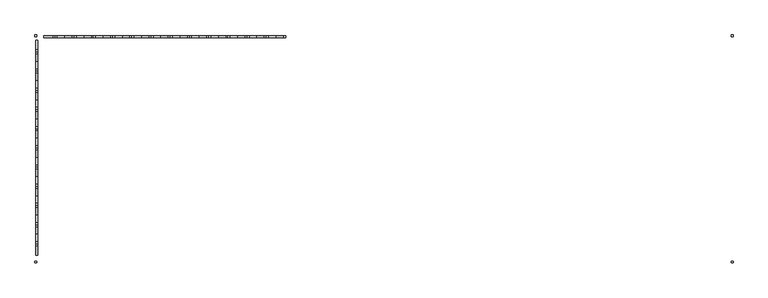
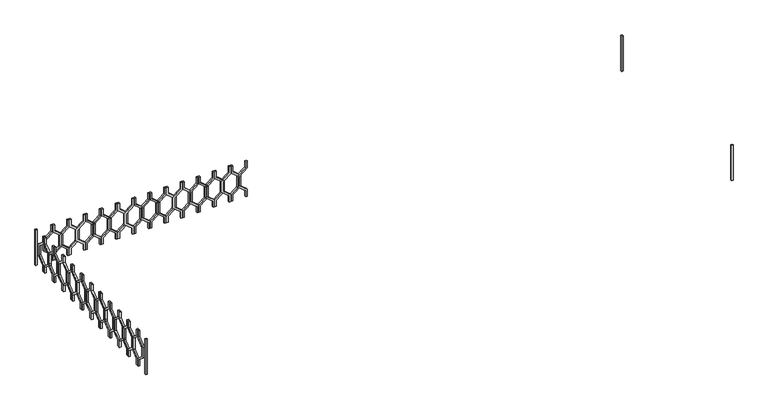
"""IFC4 building model written with IfcOpenShell, lengths in millimetres: railing geometry."""

from ifc_helpers import new_model, si_unit, frame, origin, place, context, project, spatial, polyline, outline, extrude, source, transform, mapped, element, save


def railing_aa4c74ac(model_context):
    return source(origin(), model_context, "Body", "SweptSolid", [
        extrude(outline(polyline([(4960.0, 44935.0112841), (4960.0, 44915.0112841), (4880.0, 44915.0112841), (4800.0, 44816.0163347), (4660.0, 44816.0163347), (4580.0, 44915.0112841), (4500.0, 44915.0112841), (4500.0, 44935.0112841), (4589.551845, 44935.0112841), (4669.551845, 44836.0163347), (4790.448155, 44836.0163347), (4870.448155, 44935.0112841), (4960.0, 44935.0112841)])), frame((0.0, 3248.1079487, 0.0), z_axis=(0.0, 1.0, 0.0), x_axis=(0.0, 0.0, 1.0)), (0.0, 0.0, 1.0), 20.0),
        extrude(outline(polyline([(4960.0, 44735.0112841), (4870.448155, 44735.0112841), (4790.448155, 44834.0062335), (4669.551845, 44834.0062335), (4589.551845, 44735.0112841), (4500.0, 44735.0112841), (4500.0, 44755.0112841), (4580.0, 44755.0112841), (4660.0, 44854.0062335), (4800.0, 44854.0062335), (4880.0, 44755.0112841), (4960.0, 44755.0112841), (4960.0, 44735.0112841)])), frame((0.0, 3248.1079487, 0.0), z_axis=(0.0, 1.0, 0.0), x_axis=(0.0, 0.0, 1.0)), (0.0, 0.0, 1.0), 20.0),
        extrude(outline(polyline([(4960.0, 44735.0112841), (4960.0, 44715.0112841), (4880.0, 44715.0112841), (4800.0, 44616.0163347), (4660.0, 44616.0163347), (4580.0, 44715.0112841), (4500.0, 44715.0112841), (4500.0, 44735.0112841), (4589.551845, 44735.0112841), (4669.551845, 44636.0163347), (4790.448155, 44636.0163347), (4870.448155, 44735.0112841), (4960.0, 44735.0112841)])), frame((0.0, 3248.1079487, 0.0), z_axis=(0.0, 1.0, 0.0), x_axis=(0.0, 0.0, 1.0)), (0.0, 0.0, 1.0), 20.0),
        extrude(outline(polyline([(4960.0, 44535.0112841), (4870.448155, 44535.0112841), (4790.448155, 44634.0062335), (4669.551845, 44634.0062335), (4589.551845, 44535.0112841), (4500.0, 44535.0112841), (4500.0, 44555.0112841), (4580.0, 44555.0112841), (4660.0, 44654.0062335), (4800.0, 44654.0062335), (4880.0, 44555.0112841), (4960.0, 44555.0112841), (4960.0, 44535.0112841)])), frame((0.0, 3248.1079487, 0.0), z_axis=(0.0, 1.0, 0.0), x_axis=(0.0, 0.0, 1.0)), (0.0, 0.0, 1.0), 20.0),
        extrude(outline(polyline([(4960.0, 44535.0112841), (4960.0, 44515.0112841), (4880.0, 44515.0112841), (4800.0, 44416.0163347), (4660.0, 44416.0163347), (4580.0, 44515.0112841), (4500.0, 44515.0112841), (4500.0, 44535.0112841), (4589.551845, 44535.0112841), (4669.551845, 44436.0163347), (4790.448155, 44436.0163347), (4870.448155, 44535.0112841), (4960.0, 44535.0112841)])), frame((0.0, 3248.1079487, 0.0), z_axis=(0.0, 1.0, 0.0), x_axis=(0.0, 0.0, 1.0)), (0.0, 0.0, 1.0), 20.0),
        extrude(outline(polyline([(4960.0, 44335.0112841), (4870.448155, 44335.0112841), (4790.448155, 44434.0062335), (4669.551845, 44434.0062335), (4589.551845, 44335.0112841), (4500.0, 44335.0112841), (4500.0, 44355.0112841), (4580.0, 44355.0112841), (4660.0, 44454.0062335), (4800.0, 44454.0062335), (4880.0, 44355.0112841), (4960.0, 44355.0112841), (4960.0, 44335.0112841)])), frame((0.0, 3248.1079487, 0.0), z_axis=(0.0, 1.0, 0.0), x_axis=(0.0, 0.0, 1.0)), (0.0, 0.0, 1.0), 20.0),
        extrude(outline(polyline([(4960.0, 44335.0112841), (4960.0, 44315.0112841), (4880.0, 44315.0112841), (4800.0, 44216.0163347), (4660.0, 44216.0163347), (4580.0, 44315.0112841), (4500.0, 44315.0112841), (4500.0, 44335.0112841), (4589.551845, 44335.0112841), (4669.551845, 44236.0163347), (4790.448155, 44236.0163347), (4870.448155, 44335.0112841), (4960.0, 44335.0112841)])), frame((0.0, 3248.1079487, 0.0), z_axis=(0.0, 1.0, 0.0), x_axis=(0.0, 0.0, 1.0)), (0.0, 0.0, 1.0), 20.0),
        extrude(outline(polyline([(4960.0, 44135.0112841), (4870.448155, 44135.0112841), (4790.448155, 44234.0062335), (4669.551845, 44234.0062335), (4589.551845, 44135.0112841), (4500.0, 44135.0112841), (4500.0, 44155.0112841), (4580.0, 44155.0112841), (4660.0, 44254.0062335), (4800.0, 44254.0062335), (4880.0, 44155.0112841), (4960.0, 44155.0112841), (4960.0, 44135.0112841)])), frame((0.0, 3248.1079487, 0.0), z_axis=(0.0, 1.0, 0.0), x_axis=(0.0, 0.0, 1.0)), (0.0, 0.0, 1.0), 20.0),
        extrude(outline(polyline([(4960.0, 44135.0112841), (4960.0, 44115.0112841), (4880.0, 44115.0112841), (4800.0, 44016.0163347), (4660.0, 44016.0163347), (4580.0, 44115.0112841), (4500.0, 44115.0112841), (4500.0, 44135.0112841), (4589.551845, 44135.0112841), (4669.551845, 44036.0163347), (4790.448155, 44036.0163347), (4870.448155, 44135.0112841), (4960.0, 44135.0112841)])), frame((0.0, 3248.1079487, 0.0), z_axis=(0.0, 1.0, 0.0), x_axis=(0.0, 0.0, 1.0)), (0.0, 0.0, 1.0), 20.0),
        extrude(outline(polyline([(4960.0, 43935.0112841), (4870.448155, 43935.0112841), (4790.448155, 44034.0062335), (4669.551845, 44034.0062335), (4589.551845, 43935.0112841), (4500.0, 43935.0112841), (4500.0, 43955.0112841), (4580.0, 43955.0112841), (4660.0, 44054.0062335), (4800.0, 44054.0062335), (4880.0, 43955.0112841), (4960.0, 43955.0112841), (4960.0, 43935.0112841)])), frame((0.0, 3248.1079487, 0.0), z_axis=(0.0, 1.0, 0.0), x_axis=(0.0, 0.0, 1.0)), (0.0, 0.0, 1.0), 20.0),
        extrude(outline(polyline([(4960.0, 43935.0112841), (4960.0, 43915.0112841), (4880.0, 43915.0112841), (4800.0, 43816.0163347), (4660.0, 43816.0163347), (4580.0, 43915.0112841), (4500.0, 43915.0112841), (4500.0, 43935.0112841), (4589.551845, 43935.0112841), (4669.551845, 43836.0163347), (4790.448155, 43836.0163347), (4870.448155, 43935.0112841), (4960.0, 43935.0112841)])), frame((0.0, 3248.1079487, 0.0), z_axis=(0.0, 1.0, 0.0), x_axis=(0.0, 0.0, 1.0)), (0.0, 0.0, 1.0), 20.0),
        extrude(outline(polyline([(4960.0, 43735.0112841), (4870.448155, 43735.0112841), (4790.448155, 43834.0062335), (4669.551845, 43834.0062335), (4589.551845, 43735.0112841), (4500.0, 43735.0112841), (4500.0, 43755.0112841), (4580.0, 43755.0112841), (4660.0, 43854.0062335), (4800.0, 43854.0062335), (4880.0, 43755.0112841), (4960.0, 43755.0112841), (4960.0, 43735.0112841)])), frame((0.0, 3248.1079487, 0.0), z_axis=(0.0, 1.0, 0.0), x_axis=(0.0, 0.0, 1.0)), (0.0, 0.0, 1.0), 20.0),
        extrude(outline(polyline([(4960.0, 43735.0112841), (4960.0, 43715.0112841), (4880.0, 43715.0112841), (4800.0, 43616.0163347), (4660.0, 43616.0163347), (4580.0, 43715.0112841), (4500.0, 43715.0112841), (4500.0, 43735.0112841), (4589.551845, 43735.0112841), (4669.551845, 43636.0163347), (4790.448155, 43636.0163347), (4870.448155, 43735.0112841), (4960.0, 43735.0112841)])), frame((0.0, 3248.1079487, 0.0), z_axis=(0.0, 1.0, 0.0), x_axis=(0.0, 0.0, 1.0)), (0.0, 0.0, 1.0), 20.0),
        extrude(outline(polyline([(4960.0, 43535.0112841), (4870.448155, 43535.0112841), (4790.448155, 43634.0062335), (4669.551845, 43634.0062335), (4589.551845, 43535.0112841), (4500.0, 43535.0112841), (4500.0, 43555.0112841), (4580.0, 43555.0112841), (4660.0, 43654.0062335), (4800.0, 43654.0062335), (4880.0, 43555.0112841), (4960.0, 43555.0112841), (4960.0, 43535.0112841)])), frame((0.0, 3248.1079487, 0.0), z_axis=(0.0, 1.0, 0.0), x_axis=(0.0, 0.0, 1.0)), (0.0, 0.0, 1.0), 20.0),
        extrude(outline(polyline([(4960.0, 43535.0112841), (4960.0, 43515.0112841), (4880.0, 43515.0112841), (4800.0, 43416.0163347), (4660.0, 43416.0163347), (4580.0, 43515.0112841), (4500.0, 43515.0112841), (4500.0, 43535.0112841), (4589.551845, 43535.0112841), (4669.551845, 43436.0163347), (4790.448155, 43436.0163347), (4870.448155, 43535.0112841), (4960.0, 43535.0112841)])), frame((0.0, 3248.1079487, 0.0), z_axis=(0.0, 1.0, 0.0), x_axis=(0.0, 0.0, 1.0)), (0.0, 0.0, 1.0), 20.0),
        extrude(outline(polyline([(4960.0, 43335.0112841), (4870.448155, 43335.0112841), (4790.448155, 43434.0062335), (4669.551845, 43434.0062335), (4589.551845, 43335.0112841), (4500.0, 43335.0112841), (4500.0, 43355.0112841), (4580.0, 43355.0112841), (4660.0, 43454.0062335), (4800.0, 43454.0062335), (4880.0, 43355.0112841), (4960.0, 43355.0112841), (4960.0, 43335.0112841)])), frame((0.0, 3248.1079487, 0.0), z_axis=(0.0, 1.0, 0.0), x_axis=(0.0, 0.0, 1.0)), (0.0, 0.0, 1.0), 20.0),
        extrude(outline(polyline([(4960.0, 43335.0112841), (4960.0, 43315.0112841), (4880.0, 43315.0112841), (4800.0, 43216.0163347), (4660.0, 43216.0163347), (4580.0, 43315.0112841), (4500.0, 43315.0112841), (4500.0, 43335.0112841), (4589.551845, 43335.0112841), (4669.551845, 43236.0163347), (4790.448155, 43236.0163347), (4870.448155, 43335.0112841), (4960.0, 43335.0112841)])), frame((0.0, 3248.1079487, 0.0), z_axis=(0.0, 1.0, 0.0), x_axis=(0.0, 0.0, 1.0)), (0.0, 0.0, 1.0), 20.0),
        extrude(outline(polyline([(4960.0, 43135.0112841), (4870.448155, 43135.0112841), (4790.448155, 43234.0062335), (4669.551845, 43234.0062335), (4589.551845, 43135.0112841), (4500.0, 43135.0112841), (4500.0, 43155.0112841), (4580.0, 43155.0112841), (4660.0, 43254.0062335), (4800.0, 43254.0062335), (4880.0, 43155.0112841), (4960.0, 43155.0112841), (4960.0, 43135.0112841)])), frame((0.0, 3248.1079487, 0.0), z_axis=(0.0, 1.0, 0.0), x_axis=(0.0, 0.0, 1.0)), (0.0, 0.0, 1.0), 20.0),
        extrude(outline(polyline([(4960.0, 43135.0112841), (4960.0, 43115.0112841), (4880.0, 43115.0112841), (4800.0, 43016.0163347), (4660.0, 43016.0163347), (4580.0, 43115.0112841), (4500.0, 43115.0112841), (4500.0, 43135.0112841), (4589.551845, 43135.0112841), (4669.551845, 43036.0163347), (4790.448155, 43036.0163347), (4870.448155, 43135.0112841), (4960.0, 43135.0112841)])), frame((0.0, 3248.1079487, 0.0), z_axis=(0.0, 1.0, 0.0), x_axis=(0.0, 0.0, 1.0)), (0.0, 0.0, 1.0), 20.0),
        extrude(outline(polyline([(4960.0, 42935.0112841), (4870.448155, 42935.0112841), (4790.448155, 43034.0062335), (4669.551845, 43034.0062335), (4589.551845, 42935.0112841), (4500.0, 42935.0112841), (4500.0, 42955.0112841), (4580.0, 42955.0112841), (4660.0, 43054.0062335), (4800.0, 43054.0062335), (4880.0, 42955.0112841), (4960.0, 42955.0112841), (4960.0, 42935.0112841)])), frame((0.0, 3248.1079487, 0.0), z_axis=(0.0, 1.0, 0.0), x_axis=(0.0, 0.0, 1.0)), (0.0, 0.0, 1.0), 20.0),
        extrude(outline(polyline([(4960.0, 42935.0112841), (4960.0, 42915.0112841), (4880.0, 42915.0112841), (4800.0, 42816.0163347), (4660.0, 42816.0163347), (4580.0, 42915.0112841), (4500.0, 42915.0112841), (4500.0, 42935.0112841), (4589.551845, 42935.0112841), (4669.551845, 42836.0163347), (4790.448155, 42836.0163347), (4870.448155, 42935.0112841), (4960.0, 42935.0112841)])), frame((0.0, 3248.1079487, 0.0), z_axis=(0.0, 1.0, 0.0), x_axis=(0.0, 0.0, 1.0)), (0.0, 0.0, 1.0), 20.0),
        extrude(outline(polyline([(4960.0, 42735.0112841), (4870.448155, 42735.0112841), (4790.448155, 42834.0062335), (4669.551845, 42834.0062335), (4589.551845, 42735.0112841), (4500.0, 42735.0112841), (4500.0, 42755.0112841), (4580.0, 42755.0112841), (4660.0, 42854.0062335), (4800.0, 42854.0062335), (4880.0, 42755.0112841), (4960.0, 42755.0112841), (4960.0, 42735.0112841)])), frame((0.0, 3248.1079487, 0.0), z_axis=(0.0, 1.0, 0.0), x_axis=(0.0, 0.0, 1.0)), (0.0, 0.0, 1.0), 20.0),
        extrude(outline(polyline([(4960.0, 42735.0112841), (4960.0, 42715.0112841), (4880.0, 42715.0112841), (4800.0, 42616.0163347), (4660.0, 42616.0163347), (4580.0, 42715.0112841), (4500.0, 42715.0112841), (4500.0, 42735.0112841), (4589.551845, 42735.0112841), (4669.551845, 42636.0163347), (4790.448155, 42636.0163347), (4870.448155, 42735.0112841), (4960.0, 42735.0112841)])), frame((0.0, 3248.1079487, 0.0), z_axis=(0.0, 1.0, 0.0), x_axis=(0.0, 0.0, 1.0)), (0.0, 0.0, 1.0), 20.0),
        extrude(outline(polyline([(4960.0, 42535.0112841), (4870.448155, 42535.0112841), (4790.448155, 42634.0062335), (4669.551845, 42634.0062335), (4589.551845, 42535.0112841), (4500.0, 42535.0112841), (4500.0, 42555.0112841), (4580.0, 42555.0112841), (4660.0, 42654.0062335), (4800.0, 42654.0062335), (4880.0, 42555.0112841), (4960.0, 42555.0112841), (4960.0, 42535.0112841)])), frame((0.0, 3248.1079487, 0.0), z_axis=(0.0, 1.0, 0.0), x_axis=(0.0, 0.0, 1.0)), (0.0, 0.0, 1.0), 20.0),
        extrude(outline(polyline([(4960.0, 42535.0112841), (4960.0, 42515.0112841), (4880.0, 42515.0112841), (4800.0, 42416.0163347), (4660.0, 42416.0163347), (4580.0, 42515.0112841), (4500.0, 42515.0112841), (4500.0, 42535.0112841), (4589.551845, 42535.0112841), (4669.551845, 42436.0163347), (4790.448155, 42436.0163347), (4870.448155, 42535.0112841), (4960.0, 42535.0112841)])), frame((0.0, 3248.1079487, 0.0), z_axis=(0.0, 1.0, 0.0), x_axis=(0.0, 0.0, 1.0)), (0.0, 0.0, 1.0), 20.0),
        extrude(outline(polyline([(3103.1079487, 4960.0), (3123.1079487, 4960.0), (3123.1079487, 4880.0), (3222.102898, 4800.0), (3222.102898, 4660.0), (3123.1079487, 4580.0), (3123.1079487, 4500.0), (3103.1079487, 4500.0), (3103.1079487, 4589.551845), (3202.102898, 4669.551845), (3202.102898, 4790.448155), (3103.1079487, 4870.448155), (3103.1079487, 4960.0)])), frame((42335.0112841, 0.0, 0.0), z_axis=(1.0, 0.0, 0.0), x_axis=(0.0, 1.0, 0.0)), (0.0, 0.0, 1.0), 20.0),
        extrude(outline(polyline([(3103.1079487, 4960.0), (3103.1079487, 4870.448155), (3004.1129993, 4790.448155), (3004.1129993, 4669.551845), (3103.1079487, 4589.551845), (3103.1079487, 4500.0), (3083.1079487, 4500.0), (3083.1079487, 4580.0), (2984.1129993, 4660.0), (2984.1129993, 4800.0), (3083.1079487, 4880.0), (3083.1079487, 4960.0), (3103.1079487, 4960.0)])), frame((42335.0112841, 0.0, 0.0), z_axis=(1.0, 0.0, 0.0), x_axis=(0.0, 1.0, 0.0)), (0.0, 0.0, 1.0), 20.0),
        extrude(outline(polyline([(2903.1079487, 4960.0), (2923.1079487, 4960.0), (2923.1079487, 4880.0), (3022.102898, 4800.0), (3022.102898, 4660.0), (2923.1079487, 4580.0), (2923.1079487, 4500.0), (2903.1079487, 4500.0), (2903.1079487, 4589.551845), (3002.102898, 4669.551845), (3002.102898, 4790.448155), (2903.1079487, 4870.448155), (2903.1079487, 4960.0)])), frame((42335.0112841, 0.0, 0.0), z_axis=(1.0, 0.0, 0.0), x_axis=(0.0, 1.0, 0.0)), (0.0, 0.0, 1.0), 20.0),
        extrude(outline(polyline([(2903.1079487, 4960.0), (2903.1079487, 4870.448155), (2804.1129993, 4790.448155), (2804.1129993, 4669.551845), (2903.1079487, 4589.551845), (2903.1079487, 4500.0), (2883.1079487, 4500.0), (2883.1079487, 4580.0), (2784.1129993, 4660.0), (2784.1129993, 4800.0), (2883.1079487, 4880.0), (2883.1079487, 4960.0), (2903.1079487, 4960.0)])), frame((42335.0112841, 0.0, 0.0), z_axis=(1.0, 0.0, 0.0), x_axis=(0.0, 1.0, 0.0)), (0.0, 0.0, 1.0), 20.0),
        extrude(outline(polyline([(2703.1079487, 4960.0), (2723.1079487, 4960.0), (2723.1079487, 4880.0), (2822.102898, 4800.0), (2822.102898, 4660.0), (2723.1079487, 4580.0), (2723.1079487, 4500.0), (2703.1079487, 4500.0), (2703.1079487, 4589.551845), (2802.102898, 4669.551845), (2802.102898, 4790.448155), (2703.1079487, 4870.448155), (2703.1079487, 4960.0)])), frame((42335.0112841, 0.0, 0.0), z_axis=(1.0, 0.0, 0.0), x_axis=(0.0, 1.0, 0.0)), (0.0, 0.0, 1.0), 20.0),
        extrude(outline(polyline([(2703.1079487, 4960.0), (2703.1079487, 4870.448155), (2604.1129993, 4790.448155), (2604.1129993, 4669.551845), (2703.1079487, 4589.551845), (2703.1079487, 4500.0), (2683.1079487, 4500.0), (2683.1079487, 4580.0), (2584.1129993, 4660.0), (2584.1129993, 4800.0), (2683.1079487, 4880.0), (2683.1079487, 4960.0), (2703.1079487, 4960.0)])), frame((42335.0112841, 0.0, 0.0), z_axis=(1.0, 0.0, 0.0), x_axis=(0.0, 1.0, 0.0)), (0.0, 0.0, 1.0), 20.0),
        extrude(outline(polyline([(2503.1079487, 4960.0), (2523.1079487, 4960.0), (2523.1079487, 4880.0), (2622.102898, 4800.0), (2622.102898, 4660.0), (2523.1079487, 4580.0), (2523.1079487, 4500.0), (2503.1079487, 4500.0), (2503.1079487, 4589.551845), (2602.102898, 4669.551845), (2602.102898, 4790.448155), (2503.1079487, 4870.448155), (2503.1079487, 4960.0)])), frame((42335.0112841, 0.0, 0.0), z_axis=(1.0, 0.0, 0.0), x_axis=(0.0, 1.0, 0.0)), (0.0, 0.0, 1.0), 20.0),
        extrude(outline(polyline([(2503.1079487, 4960.0), (2503.1079487, 4870.448155), (2404.1129993, 4790.448155), (2404.1129993, 4669.551845), (2503.1079487, 4589.551845), (2503.1079487, 4500.0), (2483.1079487, 4500.0), (2483.1079487, 4580.0), (2384.1129993, 4660.0), (2384.1129993, 4800.0), (2483.1079487, 4880.0), (2483.1079487, 4960.0), (2503.1079487, 4960.0)])), frame((42335.0112841, 0.0, 0.0), z_axis=(1.0, 0.0, 0.0), x_axis=(0.0, 1.0, 0.0)), (0.0, 0.0, 1.0), 20.0),
        extrude(outline(polyline([(2303.1079487, 4960.0), (2323.1079487, 4960.0), (2323.1079487, 4880.0), (2422.102898, 4800.0), (2422.102898, 4660.0), (2323.1079487, 4580.0), (2323.1079487, 4500.0), (2303.1079487, 4500.0), (2303.1079487, 4589.551845), (2402.102898, 4669.551845), (2402.102898, 4790.448155), (2303.1079487, 4870.448155), (2303.1079487, 4960.0)])), frame((42335.0112841, 0.0, 0.0), z_axis=(1.0, 0.0, 0.0), x_axis=(0.0, 1.0, 0.0)), (0.0, 0.0, 1.0), 20.0),
        extrude(outline(polyline([(2303.1079487, 4960.0), (2303.1079487, 4870.448155), (2204.1129993, 4790.448155), (2204.1129993, 4669.551845), (2303.1079487, 4589.551845), (2303.1079487, 4500.0), (2283.1079487, 4500.0), (2283.1079487, 4580.0), (2184.1129993, 4660.0), (2184.1129993, 4800.0), (2283.1079487, 4880.0), (2283.1079487, 4960.0), (2303.1079487, 4960.0)])), frame((42335.0112841, 0.0, 0.0), z_axis=(1.0, 0.0, 0.0), x_axis=(0.0, 1.0, 0.0)), (0.0, 0.0, 1.0), 20.0),
        extrude(outline(polyline([(2103.1079487, 4960.0), (2123.1079487, 4960.0), (2123.1079487, 4880.0), (2222.102898, 4800.0), (2222.102898, 4660.0), (2123.1079487, 4580.0), (2123.1079487, 4500.0), (2103.1079487, 4500.0), (2103.1079487, 4589.551845), (2202.102898, 4669.551845), (2202.102898, 4790.448155), (2103.1079487, 4870.448155), (2103.1079487, 4960.0)])), frame((42335.0112841, 0.0, 0.0), z_axis=(1.0, 0.0, 0.0), x_axis=(0.0, 1.0, 0.0)), (0.0, 0.0, 1.0), 20.0),
        extrude(outline(polyline([(2103.1079487, 4960.0), (2103.1079487, 4870.448155), (2004.1129993, 4790.448155), (2004.1129993, 4669.551845), (2103.1079487, 4589.551845), (2103.1079487, 4500.0), (2083.1079487, 4500.0), (2083.1079487, 4580.0), (1984.1129993, 4660.0), (1984.1129993, 4800.0), (2083.1079487, 4880.0), (2083.1079487, 4960.0), (2103.1079487, 4960.0)])), frame((42335.0112841, 0.0, 0.0), z_axis=(1.0, 0.0, 0.0), x_axis=(0.0, 1.0, 0.0)), (0.0, 0.0, 1.0), 20.0),
        extrude(outline(polyline([(1903.1079487, 4960.0), (1923.1079487, 4960.0), (1923.1079487, 4880.0), (2022.102898, 4800.0), (2022.102898, 4660.0), (1923.1079487, 4580.0), (1923.1079487, 4500.0), (1903.1079487, 4500.0), (1903.1079487, 4589.551845), (2002.102898, 4669.551845), (2002.102898, 4790.448155), (1903.1079487, 4870.448155), (1903.1079487, 4960.0)])), frame((42335.0112841, 0.0, 0.0), z_axis=(1.0, 0.0, 0.0), x_axis=(0.0, 1.0, 0.0)), (0.0, 0.0, 1.0), 20.0),
        extrude(outline(polyline([(1903.1079487, 4960.0), (1903.1079487, 4870.448155), (1804.1129993, 4790.448155), (1804.1129993, 4669.551845), (1903.1079487, 4589.551845), (1903.1079487, 4500.0), (1883.1079487, 4500.0), (1883.1079487, 4580.0), (1784.1129993, 4660.0), (1784.1129993, 4800.0), (1883.1079487, 4880.0), (1883.1079487, 4960.0), (1903.1079487, 4960.0)])), frame((42335.0112841, 0.0, 0.0), z_axis=(1.0, 0.0, 0.0), x_axis=(0.0, 1.0, 0.0)), (0.0, 0.0, 1.0), 20.0),
        extrude(outline(polyline([(1703.1079487, 4960.0), (1723.1079487, 4960.0), (1723.1079487, 4880.0), (1822.102898, 4800.0), (1822.102898, 4660.0), (1723.1079487, 4580.0), (1723.1079487, 4500.0), (1703.1079487, 4500.0), (1703.1079487, 4589.551845), (1802.102898, 4669.551845), (1802.102898, 4790.448155), (1703.1079487, 4870.448155), (1703.1079487, 4960.0)])), frame((42335.0112841, 0.0, 0.0), z_axis=(1.0, 0.0, 0.0), x_axis=(0.0, 1.0, 0.0)), (0.0, 0.0, 1.0), 20.0),
        extrude(outline(polyline([(1703.1079487, 4960.0), (1703.1079487, 4870.448155), (1604.1129993, 4790.448155), (1604.1129993, 4669.551845), (1703.1079487, 4589.551845), (1703.1079487, 4500.0), (1683.1079487, 4500.0), (1683.1079487, 4580.0), (1584.1129993, 4660.0), (1584.1129993, 4800.0), (1683.1079487, 4880.0), (1683.1079487, 4960.0), (1703.1079487, 4960.0)])), frame((42335.0112841, 0.0, 0.0), z_axis=(1.0, 0.0, 0.0), x_axis=(0.0, 1.0, 0.0)), (0.0, 0.0, 1.0), 20.0),
        extrude(outline(polyline([(1503.1079487, 4960.0), (1523.1079487, 4960.0), (1523.1079487, 4880.0), (1622.102898, 4800.0), (1622.102898, 4660.0), (1523.1079487, 4580.0), (1523.1079487, 4500.0), (1503.1079487, 4500.0), (1503.1079487, 4589.551845), (1602.102898, 4669.551845), (1602.102898, 4790.448155), (1503.1079487, 4870.448155), (1503.1079487, 4960.0)])), frame((42335.0112841, 0.0, 0.0), z_axis=(1.0, 0.0, 0.0), x_axis=(0.0, 1.0, 0.0)), (0.0, 0.0, 1.0), 20.0),
        extrude(outline(polyline([(1503.1079487, 4960.0), (1503.1079487, 4870.448155), (1404.1129993, 4790.448155), (1404.1129993, 4669.551845), (1503.1079487, 4589.551845), (1503.1079487, 4500.0), (1483.1079487, 4500.0), (1483.1079487, 4580.0), (1384.1129993, 4660.0), (1384.1129993, 4800.0), (1483.1079487, 4880.0), (1483.1079487, 4960.0), (1503.1079487, 4960.0)])), frame((42335.0112841, 0.0, 0.0), z_axis=(1.0, 0.0, 0.0), x_axis=(0.0, 1.0, 0.0)), (0.0, 0.0, 1.0), 20.0),
        extrude(outline(polyline([(1303.1079487, 4960.0), (1323.1079487, 4960.0), (1323.1079487, 4880.0), (1422.102898, 4800.0), (1422.102898, 4660.0), (1323.1079487, 4580.0), (1323.1079487, 4500.0), (1303.1079487, 4500.0), (1303.1079487, 4589.551845), (1402.102898, 4669.551845), (1402.102898, 4790.448155), (1303.1079487, 4870.448155), (1303.1079487, 4960.0)])), frame((42335.0112841, 0.0, 0.0), z_axis=(1.0, 0.0, 0.0), x_axis=(0.0, 1.0, 0.0)), (0.0, 0.0, 1.0), 20.0),
        extrude(outline(polyline([(1303.1079487, 4960.0), (1303.1079487, 4870.448155), (1204.1129993, 4790.448155), (1204.1129993, 4669.551845), (1303.1079487, 4589.551845), (1303.1079487, 4500.0), (1283.1079487, 4500.0), (1283.1079487, 4580.0), (1184.1129993, 4660.0), (1184.1129993, 4800.0), (1283.1079487, 4880.0), (1283.1079487, 4960.0), (1303.1079487, 4960.0)])), frame((42335.0112841, 0.0, 0.0), z_axis=(1.0, 0.0, 0.0), x_axis=(0.0, 1.0, 0.0)), (0.0, 0.0, 1.0), 20.0),
        extrude(outline(polyline([(1103.1079487, 4960.0), (1123.1079487, 4960.0), (1123.1079487, 4880.0), (1222.102898, 4800.0), (1222.102898, 4660.0), (1123.1079487, 4580.0), (1123.1079487, 4500.0), (1103.1079487, 4500.0), (1103.1079487, 4589.551845), (1202.102898, 4669.551845), (1202.102898, 4790.448155), (1103.1079487, 4870.448155), (1103.1079487, 4960.0)])), frame((42335.0112841, 0.0, 0.0), z_axis=(1.0, 0.0, 0.0), x_axis=(0.0, 1.0, 0.0)), (0.0, 0.0, 1.0), 20.0),
        extrude(outline(polyline([(1103.1079487, 4960.0), (1103.1079487, 4870.448155), (1004.1129993, 4790.448155), (1004.1129993, 4669.551845), (1103.1079487, 4589.551845), (1103.1079487, 4500.0), (1083.1079487, 4500.0), (1083.1079487, 4580.0), (984.1129993, 4660.0), (984.1129993, 4800.0), (1083.1079487, 4880.0), (1083.1079487, 4960.0), (1103.1079487, 4960.0)])), frame((42335.0112841, 0.0, 0.0), z_axis=(1.0, 0.0, 0.0), x_axis=(0.0, 1.0, 0.0)), (0.0, 0.0, 1.0), 20.0),
        extrude(outline(polyline([(49575.0112841, 3278.1079487), (49595.0112841, 3278.1079487), (49595.0112841, 3258.1079487), (49575.0112841, 3258.1079487), (49575.0112841, 3278.1079487)])), frame((0.0, 0.0, 4500.0), z_axis=(0.0, 0.0, 1.0), x_axis=(1.0, 0.0, 0.0)), (0.0, 0.0, 1.0), 460.0),
        extrude(outline(polyline([(42325.0112841, 3258.1079487), (42325.0112841, 3278.1079487), (42345.0112841, 3278.1079487), (42345.0112841, 3258.1079487), (42325.0112841, 3258.1079487)])), frame((0.0, 0.0, 4500.0), z_axis=(0.0, 0.0, 1.0), x_axis=(1.0, 0.0, 0.0)), (0.0, 0.0, 1.0), 460.0),
        extrude(outline(polyline([(49595.0112841, 923.1079487), (49595.0112841, 903.1079487), (49575.0112841, 903.1079487), (49575.0112841, 923.1079487), (49595.0112841, 923.1079487)])), frame((0.0, 0.0, 4500.0), z_axis=(0.0, 0.0, 1.0), x_axis=(1.0, 0.0, 0.0)), (0.0, 0.0, 1.0), 460.0),
        extrude(outline(polyline([(42325.0112841, 903.1079487), (42325.0112841, 923.1079487), (42345.0112841, 923.1079487), (42345.0112841, 903.1079487), (42325.0112841, 903.1079487)])), frame((0.0, 0.0, 4500.0), z_axis=(0.0, 0.0, 1.0), x_axis=(1.0, 0.0, 0.0)), (0.0, 0.0, 1.0), 460.0),
    ])


if __name__ == "__main__":
    model = new_model("IFC4")
    model_context = context("Model", 3, world=origin())
    ifc_project = project(units=[si_unit("LENGTHUNIT", "METRE", prefix="MILLI")], contexts=[model_context])
    site = spatial("IfcSite", under=ifc_project)
    building = spatial("IfcBuilding", under=site)
    placement = place(None, origin())
    railing_shape = railing_aa4c74ac(model_context)
    element("IfcRailing", 1, at=placement, inside=building, context=model_context, shape_type="MappedRepresentation", body=[
        mapped(railing_shape, transform((0.0, 0.0, 0.0), x_axis=(1.0, 0.0, 0.0), y_axis=(0.0, 1.0, 0.0), z_axis=(0.0, 0.0, 1.0))),
    ])
    save(model, "model.ifc")
